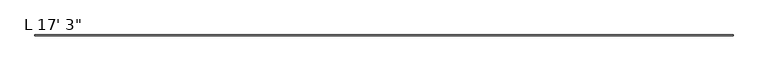
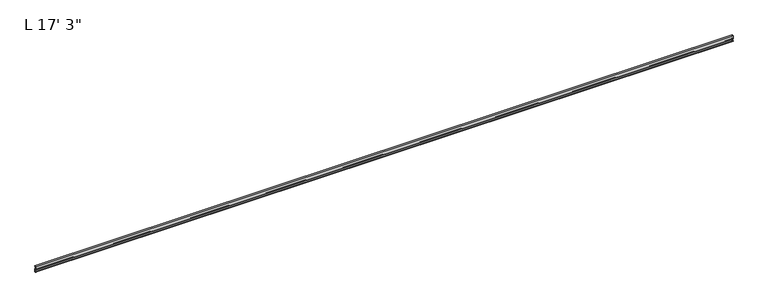
"""IFC4 building model written with IfcOpenShell, lengths in millimetres: proxy geometry."""

from ifc_helpers import new_model, si_unit, point, frame, frame_2d, origin, place, context, project, spatial, polyline, circle_curve, trimmed, segment, composite_curve, outline, extrude, source, transform, mapped, element, save


def proxy_23a14380(model_context):
    return source(origin(), model_context, "Body", "SweptSolid", [
        extrude(outline(composite_curve([segment(trimmed(circle_curve(frame_2d((14.5481808, -29.2063136)), 3.048), [point((13.6400687, -32.1158903))], [point((11.9462301, -30.7938136))], False, "CARTESIAN"), True, "CONTINUOUS"), segment(trimmed(circle_curve(frame_2d((14.5481808, -29.2063136)), 3.048), [point((11.9462301, -30.7938136))], [point((13.6400687, -26.2967369))], False, "CARTESIAN"), True, "CONTINUOUS"), segment(polyline([(13.6400687, -26.2967369), (15.4364113, -25.7360779)]), True, "CONTINUOUS"), segment(trimmed(circle_curve(frame_2d((15.6245238, -26.2747792)), 0.5706009), [point((15.4364113, -25.7360779))], [point((16.1779173, -26.4138515))], False, "CARTESIAN"), True, "CONTINUOUS"), segment(trimmed(circle_curve(frame_2d((16.9169378, -26.5995734)), 0.762), [point((16.1779173, -26.4138515))], [point((16.9376166, -27.3612928))], True, "CARTESIAN"), True, "CONTINUOUS"), segment(trimmed(circle_curve(frame_2d((16.9545, -26.8535734)), 0.508), [point((16.9376166, -27.3612928))], [point((17.4625, -26.8535734))], True, "CARTESIAN"), True, "CONTINUOUS"), segment(polyline([(17.4625, -26.8535734), (17.4625, -15.6659614), (17.9716639, -14.7485418), (17.9716639, -13.408381), (17.4625, -12.4909614), (17.4625, -10.1123329)]), True, "CONTINUOUS"), segment(trimmed(circle_curve(frame_2d((15.875, -10.1123329)), 1.5875), [point((17.4625, -10.1123329))], [point((15.875, -8.5248329))], True, "CARTESIAN"), True, "CONTINUOUS"), segment(polyline([(15.875, -8.5248329), (11.1125, -8.5248329), (11.1125, 16.8792515), (19.05, 16.8792515), (19.05, 13.7042515), (17.4625, 13.7042515), (17.4625, 15.2917515), (12.7, 15.2917515), (12.7, -6.9145734), (17.4625, -6.9145734)]), True, "CONTINUOUS"), segment(trimmed(circle_curve(frame_2d((17.4625, -8.5020734)), 1.5875), [point((17.4625, -6.9145734))], [point((19.05, -8.5020734))], False, "CARTESIAN"), True, "CONTINUOUS"), segment(polyline([(19.05, -8.5020734), (19.05, -29.1395734), (17.7424378, -29.1395734)]), True, "CONTINUOUS"), segment(trimmed(circle_curve(frame_2d((17.7424378, -30.7270734)), 1.5875), [point((17.7424378, -29.1395734))], [point((16.1549378, -30.7270734))], True, "CARTESIAN"), True, "CONTINUOUS"), segment(polyline([(16.1549378, -30.7270734), (16.1549378, -32.2686835)]), True, "CONTINUOUS"), segment(trimmed(circle_curve(frame_2d((15.6853088, -32.2686835)), 0.4696291), [point((16.1549378, -32.2686835))], [point((15.4750158, -32.6885982))], False, "CARTESIAN"), True, "CONTINUOUS"), segment(polyline([(15.4750158, -32.6885982), (13.6400687, -32.1158903)]), True, "CONTINUOUS")], self_intersect=False)), frame((-4953.0, 0.0, 0.0), z_axis=(1.0, 0.0, 0.0), x_axis=(0.0, 1.0, 0.0)), (0.0, 0.0, 1.0), 5257.8),
    ])


if __name__ == "__main__":
    model = new_model("IFC4")
    model_context = context("Model", 3, world=origin())
    ifc_project = project(units=[si_unit("LENGTHUNIT", "METRE", prefix="MILLI")], contexts=[model_context])
    site = spatial("IfcSite", under=ifc_project)
    building = spatial("IfcBuilding", under=site)
    placement = place(None, origin())
    proxy_shape = proxy_23a14380(model_context)
    element("IfcBuildingElementProxy", 1, Name="L 17' 3\"", ObjectType="L 17' 3\"", at=placement, inside=building, context=model_context, shape_type="MappedRepresentation", body=[
        mapped(proxy_shape, transform((0.0, 0.0, 0.0), x_axis=(1.0, 0.0, 0.0), y_axis=(0.0, 1.0, 0.0), z_axis=(0.0, 0.0, 1.0))),
    ])
    save(model, "model.ifc")
